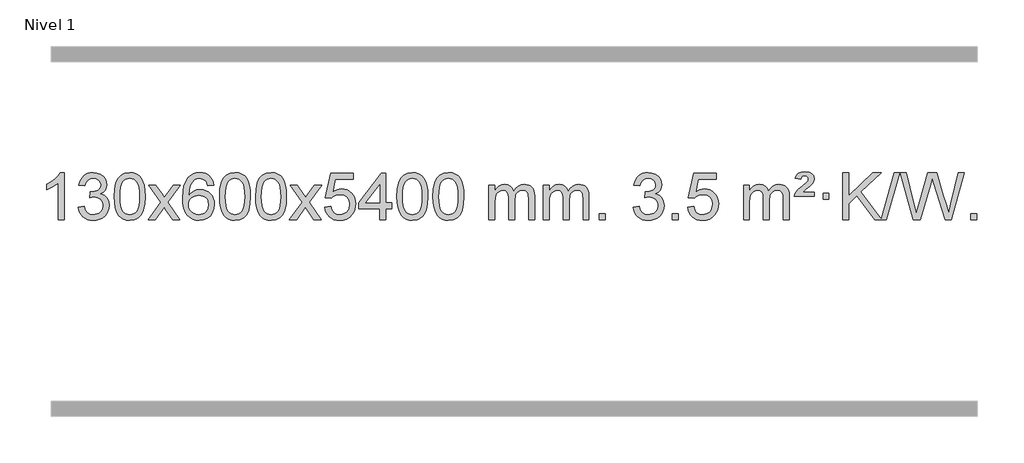
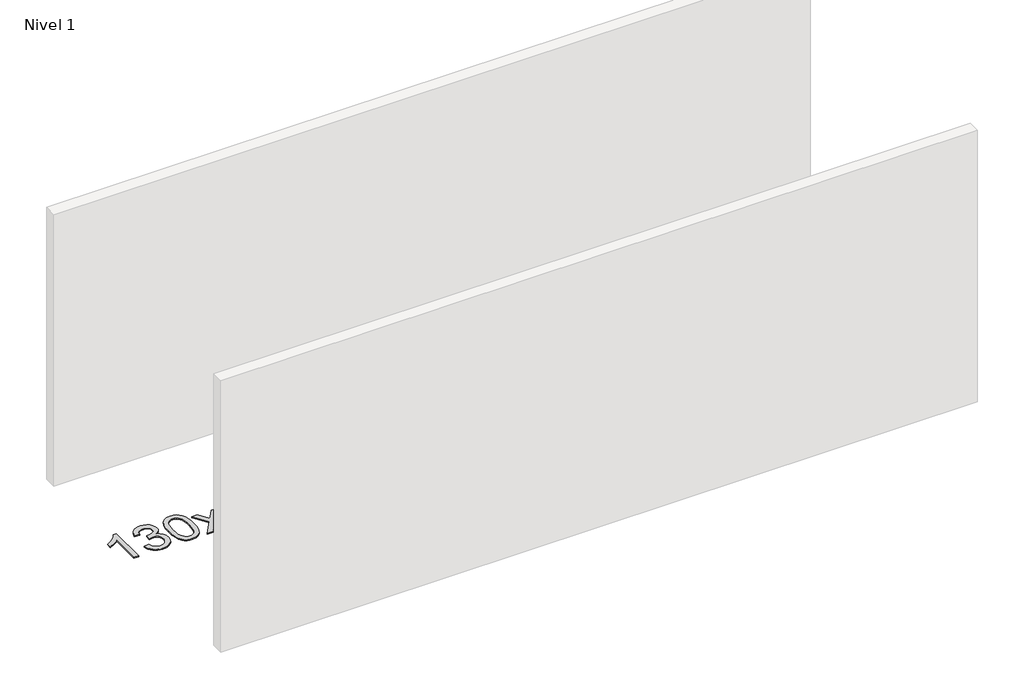
# One storey, part 10 of 21: 1 proxy.
"""IFC4 building model written with IfcOpenShell, lengths in millimetres."""

from ifc_helpers import new_model, si_unit, origin, origin_with_axes, place, context, project, spatial, polyline, outline, extrude, element, save

model = new_model("IFC4")

# Units and contexts
model_context = context("Model", 3, world=origin())
ifc_project = project(units=[si_unit("LENGTHUNIT", "METRE", prefix="MILLI")], contexts=[model_context])

# Site, building, storey
site = spatial("IfcSite", under=ifc_project)
building = spatial("IfcBuilding", under=site)
storey = spatial("IfcBuildingStorey", under=building, Name="Nivel 1", Elevation=0.0)

# Proxy
placement = place(None, origin())
element("IfcBuildingElementProxy", 1, Name="Texto de modelo 1", ObjectType="Texto de modelo 1", at=placement, inside=storey, context=model_context, shape_type="SweptSolid", body=[
    extrude(outline(polyline([(-121.6378538, -27645.579453), (-171.8660089, -27645.579453), (-171.8660089, -27332.4382987), (-192.8352826, -27349.3976587), (-219.4454136, -27366.3324932), (-272.3223191, -27391.6918254), (-272.3223191, -27344.2105225), (-232.8731065, -27322.7507395), (-198.6968691, -27297.219729), (-171.7556443, -27270.0700378), (-154.0114694, -27243.7542124), (-121.6378538, -27243.7542124), (-121.6378538, -27645.579453)])), origin_with_axes(), (0.0, 0.0, 1.0), 10.0),
    extrude(outline(polyline([(-2.3459855, -27538.8446235), (47.8821695, -27532.5661041), (59.1270958, -27564.1303793), (75.5959465, -27585.4430095), (98.0980619, -27597.5831154), (127.4427824, -27601.6298173), (161.8765371, -27596.0625364), (176.1503585, -27589.1034354), (188.4621426, -27579.3606939), (205.4582908, -27554.4428201), (211.1236735, -27524.2274455), (205.5073417, -27495.5449126), (188.6583463, -27472.2825078), (163.1518614, -27456.8682522), (131.5630607, -27451.730167), (96.344491, -27457.2238715), (101.9362974, -27406.9957164), (109.9806503, -27407.5843276), (140.0733975, -27403.979084), (166.9778341, -27393.1633534), (178.0510822, -27384.9841103), (185.9605451, -27374.8673555), (190.7062228, -27362.8130888), (192.2881154, -27348.8213102), (187.7018532, -27327.1285352), (173.9430665, -27309.5315131), (152.9492674, -27297.8696539), (126.6579674, -27293.9823675), (100.3176166, -27297.9064421), (78.7842571, -27309.6786659), (63.0634332, -27329.299039), (54.1606889, -27356.7675613), (3.9325338, -27350.4890419), (9.8860908, -27326.5092672), (18.72139, -27305.3867093), (30.4384316, -27287.1213683), (45.0372154, -27271.713244), (62.0578891, -27259.4811677), (81.0406, -27250.7439703), (101.9853483, -27245.5016519), (124.8921339, -27243.7542124), (156.4686718, -27247.2000404), (185.4700357, -27257.5375245), (209.9219257, -27273.8469596), (227.8500416, -27295.2086408), (238.8497132, -27319.8199463), (242.5162704, -27345.8782543), (239.0336542, -27370.1584659), (228.5858056, -27392.1823347), (211.3198773, -27410.9443165), (187.3830221, -27425.4388671), (218.82467, -27438.1430586), (242.123863, -27459.77452), (256.5448372, -27489.1560286), (261.3518286, -27525.1103623), (258.9483329, -27550.5923218), (251.7378458, -27574.0631931), (239.7203673, -27595.5229762), (222.8958974, -27614.971671), (202.3987389, -27631.1094278), (179.3631946, -27642.636397), (153.7892646, -27649.5525785), (125.6769488, -27651.8579724), (100.2685656, -27649.8898037), (77.1165254, -27643.9852977), (56.2208281, -27634.1444543), (37.5814737, -27620.3672736), (21.9526202, -27603.4630959), (10.0884259, -27584.2412617), (1.9888906, -27562.7017708), (-2.3459855, -27538.8446235)])), origin_with_axes(), (0.0, 0.0, 1.0), 10.0),
    extrude(outline(polyline([(305.3014643, -27447.9041943), (308.992547, -27383.5861588), (320.065795, -27332.2911459), (338.4108439, -27293.2343407), (350.2689068, -27278.0009605), (363.9173289, -27265.6309284), (379.4020952, -27256.0598651), (396.769191, -27249.2233914), (437.1503714, -27243.7542124), (468.1015099, -27246.991574), (495.8152869, -27256.7036586), (518.9918526, -27272.5103217), (536.3313573, -27294.0314184), (549.4279563, -27321.0830078), (559.8758049, -27353.4811488), (566.7184101, -27394.6226186), (568.9992784, -27447.9041943), (565.3449839, -27511.8543477), (554.3821005, -27563.0267333), (536.1474163, -27602.1203266), (524.3169444, -27617.3996922), (510.6777195, -27629.8341036), (495.174559, -27639.4695462), (477.7522809, -27646.3520052), (437.1503714, -27651.8579724), (409.4856453, -27649.4667394), (384.960179, -27642.2930405), (363.5739723, -27630.3368757), (345.3270254, -27613.5982449), (327.8158424, -27583.3399508), (315.3078546, -27545.6381776), (307.8030619, -27500.4929255), (305.3014643, -27447.9041943)]), holes=[polyline([(355.5296194, -27447.8060924), (357.0011473, -27491.4706195), (361.4157313, -27526.8148822), (368.7733712, -27553.8388804), (379.0740671, -27572.5426142), (391.533004, -27585.2682656), (405.365367, -27594.3580165), (420.5711561, -27599.8118671), (437.1503714, -27601.6298173), (453.7295866, -27599.8057357), (468.9353757, -27594.3334911), (482.7677388, -27585.2130833), (495.2266757, -27572.4445124), (505.5273715, -27553.7101217), (512.8850114, -27526.6922549), (517.2995954, -27491.3909118), (518.7711234, -27447.8060924), (517.3486463, -27405.2973278), (513.0812152, -27370.5753989), (505.9688299, -27343.6403055), (496.0114906, -27324.4920476), (483.7610201, -27311.1440625), (469.7692416, -27301.6097875), (454.0361549, -27295.8892225), (436.5617602, -27293.9823675), (420.068384, -27295.6623619), (405.1201123, -27300.7023452), (391.716945, -27309.1023175), (379.858882, -27320.8622786), (369.2148296, -27341.708925), (361.611935, -27369.8151094), (357.0501983, -27405.1808319), (355.5296194, -27447.8060924)])]), origin_with_axes(), (0.0, 0.0, 1.0), 10.0),
    extrude(outline(polyline([(594.113356, -27645.579453), (701.4367967, -27497.2494325), (600.3918754, -27350.4890419), (660.8226244, -27350.4890419), (709.5792515, -27421.122385), (732.3388843, -27454.4770192), (752.0573592, -27427.2047007), (807.583015, -27350.4890419), (868.0137641, -27350.4890419), (761.8675458, -27497.2494325), (864.0896895, -27645.579453), (803.6589404, -27645.579453), (742.1490708, -27556.4048574), (730.8673563, -27540.1199477), (654.544105, -27645.579453), (594.113356, -27645.579453)])), origin_with_axes(), (0.0, 0.0, 1.0), 10.0),
    extrude(outline(polyline([(1152.9015812, -27350.4890419), (1102.6734261, -27356.7675613), (1094.5800222, -27331.874213), (1083.6416642, -27314.8780648), (1060.857506, -27299.2062918), (1033.3154073, -27293.9823675), (1009.9671633, -27297.0235253), (987.9923455, -27306.1469988), (969.1199991, -27325.3627017), (953.7057435, -27351.8134171), (943.2946831, -27389.227016), (939.4319221, -27441.3313693), (959.5795927, -27417.8237098), (983.7249143, -27401.2567573), (1010.5189863, -27391.434308), (1038.612908, -27388.1601582), (1062.7459669, -27390.398107), (1085.0150903, -27397.1119534), (1105.4202783, -27408.3016975), (1123.9615309, -27423.9673391), (1139.3696551, -27443.1769106), (1150.3754581, -27464.9984443), (1156.97894, -27489.4319401), (1159.1801006, -27516.4773982), (1155.0352967, -27552.4439945), (1142.6008853, -27585.786366), (1122.9069358, -27614.0642287), (1096.9835179, -27634.8372987), (1066.0078539, -27647.602804), (1031.1571662, -27651.8579724), (1001.2146375, -27649.0375437), (974.1722452, -27640.5762579), (950.0299893, -27626.4741147), (928.7878697, -27606.7311143), (911.4698248, -27580.5133908), (899.0997927, -27546.9870783), (891.6777734, -27506.1521768), (889.203767, -27458.0086864), (891.9506193, -27404.0342663), (900.191176, -27357.9693092), (913.9254371, -27319.8138149), (933.1534027, -27289.5677835), (953.9939177, -27269.5243462), (978.1576335, -27255.2076052), (1005.6445499, -27246.6175606), (1036.454667, -27243.7542124), (1059.5883131, -27245.5261773), (1080.52693, -27250.8420722), (1099.2705176, -27259.7018969), (1115.8190761, -27272.1056515), (1129.7250155, -27287.6364031), (1140.5407461, -27305.8772186), (1148.266268, -27326.8280983), (1152.9015812, -27350.4890419)]), holes=[polyline([(939.4319221, -27515.6925832), (942.3381899, -27537.9494439), (951.0569932, -27559.2007605), (964.5950506, -27577.472233), (981.9590807, -27590.7895612), (1002.9160917, -27598.9197533), (1027.2330916, -27601.6298173), (1060.3792594, -27596.0134855), (1074.2943959, -27588.9930708), (1086.4375674, -27579.1644901), (1096.2876078, -27566.9262824), (1103.323351, -27552.6769865), (1108.9519455, -27518.1451299), (1103.3969274, -27484.9989621), (1096.4531547, -27471.3781312), (1086.731873, -27459.725469), (1074.5519133, -27450.3904634), (1060.2321066, -27443.7226022), (1025.1729524, -27438.3883133), (992.0758356, -27443.7226022), (964.3988468, -27459.725469), (953.4758173, -27471.2248471), (945.6736533, -27484.3858254), (940.9923549, -27499.2084042), (939.4319221, -27515.6925832)])]), origin_with_axes(), (0.0, 0.0, 1.0), 10.0),
    extrude(outline(polyline([(1203.1297362, -27447.9041943), (1206.8208189, -27383.5861588), (1217.894067, -27332.2911459), (1236.2391158, -27293.2343407), (1248.0971788, -27278.0009605), (1261.7456008, -27265.6309284), (1277.2303671, -27256.0598651), (1294.597463, -27249.2233914), (1334.9786433, -27243.7542124), (1365.9297818, -27246.991574), (1393.6435588, -27256.7036586), (1416.8201245, -27272.5103217), (1434.1596292, -27294.0314184), (1447.2562282, -27321.0830078), (1457.7040769, -27353.4811488), (1464.546682, -27394.6226186), (1466.8275504, -27447.9041943), (1463.1732559, -27511.8543477), (1452.2103725, -27563.0267333), (1433.9756882, -27602.1203266), (1422.1452164, -27617.3996922), (1408.5059914, -27629.8341036), (1393.002831, -27639.4695462), (1375.5805529, -27646.3520052), (1334.9786433, -27651.8579724), (1307.3139173, -27649.4667394), (1282.7884509, -27642.2930405), (1261.4022443, -27630.3368757), (1243.1552973, -27613.5982449), (1225.6441144, -27583.3399508), (1213.1361265, -27545.6381776), (1205.6313338, -27500.4929255), (1203.1297362, -27447.9041943)]), holes=[polyline([(1253.3578913, -27447.8060924), (1254.8294193, -27491.4706195), (1259.2440032, -27526.8148822), (1266.6016432, -27553.8388804), (1276.902339, -27572.5426142), (1289.3612759, -27585.2682656), (1303.1936389, -27594.3580165), (1318.3994281, -27599.8118671), (1334.9786433, -27601.6298173), (1351.5578586, -27599.8057357), (1366.7636477, -27594.3334911), (1380.5960107, -27585.2130833), (1393.0549476, -27572.4445124), (1403.3556435, -27553.7101217), (1410.7132834, -27526.6922549), (1415.1278673, -27491.3909118), (1416.5993953, -27447.8060924), (1415.1769183, -27405.2973278), (1410.9094871, -27370.5753989), (1403.7971019, -27343.6403055), (1393.8397625, -27324.4920476), (1381.5892921, -27311.1440625), (1367.5975136, -27301.6097875), (1351.8644269, -27295.8892225), (1334.3900321, -27293.9823675), (1317.896656, -27295.6623619), (1302.9483843, -27300.7023452), (1289.5452169, -27309.1023175), (1277.6871539, -27320.8622786), (1267.0431015, -27341.708925), (1259.440207, -27369.8151094), (1254.8784702, -27405.1808319), (1253.3578913, -27447.8060924)])]), origin_with_axes(), (0.0, 0.0, 1.0), 10.0),
    extrude(outline(polyline([(1510.7771861, -27447.9041943), (1514.4682688, -27383.5861588), (1525.5415168, -27332.2911459), (1543.8865656, -27293.2343407), (1555.7446286, -27278.0009605), (1569.3930506, -27265.6309284), (1584.877817, -27256.0598651), (1602.2449128, -27249.2233914), (1642.6260932, -27243.7542124), (1673.5772317, -27246.991574), (1701.2910087, -27256.7036586), (1724.4675743, -27272.5103217), (1741.8070791, -27294.0314184), (1754.9036781, -27321.0830078), (1765.3515267, -27353.4811488), (1772.1941319, -27394.6226186), (1774.4750002, -27447.9041943), (1770.8207057, -27511.8543477), (1759.8578223, -27563.0267333), (1741.6231381, -27602.1203266), (1729.7926662, -27617.3996922), (1716.1534413, -27629.8341036), (1700.6502808, -27639.4695462), (1683.2280027, -27646.3520052), (1642.6260932, -27651.8579724), (1614.9613671, -27649.4667394), (1590.4359008, -27642.2930405), (1569.0496941, -27630.3368757), (1550.8027472, -27613.5982449), (1533.2915642, -27583.3399508), (1520.7835764, -27545.6381776), (1513.2787836, -27500.4929255), (1510.7771861, -27447.9041943)]), holes=[polyline([(1561.0053412, -27447.8060924), (1562.4768691, -27491.4706195), (1566.8914531, -27526.8148822), (1574.249093, -27553.8388804), (1584.5497888, -27572.5426142), (1597.0087258, -27585.2682656), (1610.8410888, -27594.3580165), (1626.0468779, -27599.8118671), (1642.6260932, -27601.6298173), (1659.2053084, -27599.8057357), (1674.4110975, -27594.3334911), (1688.2434606, -27585.2130833), (1700.7023975, -27572.4445124), (1711.0030933, -27553.7101217), (1718.3607332, -27526.6922549), (1722.7753172, -27491.3909118), (1724.2468452, -27447.8060924), (1722.8243681, -27405.2973278), (1718.556937, -27370.5753989), (1711.4445517, -27343.6403055), (1701.4872124, -27324.4920476), (1689.2367419, -27311.1440625), (1675.2449634, -27301.6097875), (1659.5118767, -27295.8892225), (1642.037482, -27293.9823675), (1625.5441058, -27295.6623619), (1610.5958341, -27300.7023452), (1597.1926667, -27309.1023175), (1585.3346038, -27320.8622786), (1574.6905514, -27341.708925), (1567.0876568, -27369.8151094), (1562.5259201, -27405.1808319), (1561.0053412, -27447.8060924)])]), origin_with_axes(), (0.0, 0.0, 1.0), 10.0),
    extrude(outline(polyline([(1799.5890778, -27645.579453), (1906.9125185, -27497.2494325), (1805.8675971, -27350.4890419), (1866.2983462, -27350.4890419), (1915.0549733, -27421.122385), (1937.8146061, -27454.4770192), (1957.533081, -27427.2047007), (2013.0587368, -27350.4890419), (2073.4894859, -27350.4890419), (1967.3432676, -27497.2494325), (2069.5654113, -27645.579453), (2009.1346622, -27645.579453), (1947.6247926, -27556.4048574), (1936.3430781, -27540.1199477), (1860.0198268, -27645.579453), (1799.5890778, -27645.579453)])), origin_with_axes(), (0.0, 0.0, 1.0), 10.0),
    extrude(outline(polyline([(2100.9580082, -27538.8446235), (2151.1861633, -27532.5661041), (2160.4077386, -27562.7201649), (2176.4964446, -27584.3148381), (2199.3787047, -27597.3010725), (2228.9809425, -27601.6298173), (2248.1108063, -27600.1245668), (2264.9843271, -27595.6088153), (2279.6015051, -27588.0825628), (2291.9623401, -27577.5458094), (2301.7909207, -27564.519721), (2308.8113355, -27549.5254641), (2314.4276673, -27513.6324441), (2309.1669547, -27479.8363514), (2302.5910641, -27465.9181493), (2293.3848172, -27453.9865099), (2281.5175571, -27444.4154467), (2266.9586272, -27437.5789729), (2229.7657575, -27432.1097939), (2205.3997066, -27434.2925604), (2185.668969, -27440.8408599), (2169.9113568, -27450.8717757), (2157.4646827, -27463.5023908), (2107.2365276, -27457.2238715), (2151.1861633, -27250.0327318), (2345.8202642, -27250.0327318), (2345.8202642, -27300.2608869), (2191.8003356, -27300.2608869), (2170.316027, -27410.919791), (2188.0418078, -27398.2155994), (2206.1967843, -27389.1411769), (2224.7809564, -27383.6965234), (2243.7943242, -27381.8816388), (2268.2554112, -27384.1318504), (2290.7238041, -27390.882485), (2311.1995028, -27402.1335427), (2329.6825073, -27417.8850234), (2344.9833327, -27437.1743027), (2355.9124936, -27459.038756), (2362.4699902, -27483.4783832), (2364.6558224, -27510.4931844), (2362.6876537, -27536.5147042), (2356.7831477, -27560.7213394), (2346.9423043, -27583.1130902), (2333.1651236, -27603.6899565), (2312.2939517, -27624.7634634), (2287.9401636, -27639.8159684), (2260.1037593, -27648.8474714), (2228.7847388, -27651.8579724), (2202.8643866, -27649.9235262), (2179.4517632, -27644.1201877), (2158.5468689, -27634.447957), (2140.1497034, -27620.9068338), (2124.8427467, -27604.1712688), (2113.2084787, -27584.915712), (2105.2468991, -27563.1401636), (2100.9580082, -27538.8446235)])), origin_with_axes(), (0.0, 0.0, 1.0), 10.0),
    extrude(outline(polyline([(2571.846962, -27645.579453), (2571.846962, -27551.4016622), (2389.7698999, -27551.4016622), (2389.7698999, -27501.1735072), (2584.4040008, -27250.0327318), (2622.0751171, -27250.0327318), (2622.0751171, -27501.1735072), (2672.3032722, -27501.1735072), (2672.3032722, -27551.4016622), (2622.0751171, -27551.4016622), (2622.0751171, -27645.579453), (2571.846962, -27645.579453)]), holes=[polyline([(2571.846962, -27501.1735072), (2571.846962, -27345.9763561), (2451.5740751, -27501.1735072), (2571.846962, -27501.1735072)])]), origin_with_axes(), (0.0, 0.0, 1.0), 10.0),
    extrude(outline(polyline([(2716.2529079, -27447.9041943), (2719.9439906, -27383.5861588), (2731.0172386, -27332.2911459), (2749.3622874, -27293.2343407), (2761.2203504, -27278.0009605), (2774.8687724, -27265.6309284), (2790.3535388, -27256.0598651), (2807.7206346, -27249.2233914), (2848.1018149, -27243.7542124), (2879.0529535, -27246.991574), (2906.7667304, -27256.7036586), (2929.9432961, -27272.5103217), (2947.2828008, -27294.0314184), (2960.3793999, -27321.0830078), (2970.8272485, -27353.4811488), (2977.6698537, -27394.6226186), (2979.950722, -27447.9041943), (2976.2964275, -27511.8543477), (2965.3335441, -27563.0267333), (2947.0988599, -27602.1203266), (2935.268388, -27617.3996922), (2921.6291631, -27629.8341036), (2906.1260026, -27639.4695462), (2888.7037245, -27646.3520052), (2848.1018149, -27651.8579724), (2820.4370889, -27649.4667394), (2795.9116226, -27642.2930405), (2774.5254159, -27630.3368757), (2756.278469, -27613.5982449), (2738.767286, -27583.3399508), (2726.2592981, -27545.6381776), (2718.7545054, -27500.4929255), (2716.2529079, -27447.9041943)]), holes=[polyline([(2766.481063, -27447.8060924), (2767.9525909, -27491.4706195), (2772.3671749, -27526.8148822), (2779.7248148, -27553.8388804), (2790.0255106, -27572.5426142), (2802.4844475, -27585.2682656), (2816.3168106, -27594.3580165), (2831.5225997, -27599.8118671), (2848.1018149, -27601.6298173), (2864.6810302, -27599.8057357), (2879.8868193, -27594.3334911), (2893.7191824, -27585.2130833), (2906.1781193, -27572.4445124), (2916.4788151, -27553.7101217), (2923.836455, -27526.6922549), (2928.251039, -27491.3909118), (2929.7225669, -27447.8060924), (2928.3000899, -27405.2973278), (2924.0326588, -27370.5753989), (2916.9202735, -27343.6403055), (2906.9629342, -27324.4920476), (2894.7124637, -27311.1440625), (2880.7206852, -27301.6097875), (2864.9875985, -27295.8892225), (2847.5132038, -27293.9823675), (2831.0198276, -27295.6623619), (2816.0715559, -27300.7023452), (2802.6683885, -27309.1023175), (2790.8103256, -27320.8622786), (2780.1662732, -27341.708925), (2772.5633786, -27369.8151094), (2768.0016419, -27405.1808319), (2766.481063, -27447.8060924)])]), origin_with_axes(), (0.0, 0.0, 1.0), 10.0),
    extrude(outline(polyline([(3023.9003577, -27447.9041943), (3027.5914404, -27383.5861588), (3038.6646885, -27332.2911459), (3057.0097373, -27293.2343407), (3068.8678003, -27278.0009605), (3082.5162223, -27265.6309284), (3098.0009886, -27256.0598651), (3115.3680844, -27249.2233914), (3155.7492648, -27243.7542124), (3186.7004033, -27246.991574), (3214.4141803, -27256.7036586), (3237.590746, -27272.5103217), (3254.9302507, -27294.0314184), (3268.0268497, -27321.0830078), (3278.4746984, -27353.4811488), (3285.3173035, -27394.6226186), (3287.5981719, -27447.9041943), (3283.9438774, -27511.8543477), (3272.9809939, -27563.0267333), (3254.7463097, -27602.1203266), (3242.9158379, -27617.3996922), (3229.2766129, -27629.8341036), (3213.7734525, -27639.4695462), (3196.3511743, -27646.3520052), (3155.7492648, -27651.8579724), (3128.0845387, -27649.4667394), (3103.5590724, -27642.2930405), (3082.1728657, -27630.3368757), (3063.9259188, -27613.5982449), (3046.4147358, -27583.3399508), (3033.906748, -27545.6381776), (3026.4019553, -27500.4929255), (3023.9003577, -27447.9041943)]), holes=[polyline([(3074.1285128, -27447.8060924), (3075.6000408, -27491.4706195), (3080.0146247, -27526.8148822), (3087.3722646, -27553.8388804), (3097.6729605, -27572.5426142), (3110.1318974, -27585.2682656), (3123.9642604, -27594.3580165), (3139.1700495, -27599.8118671), (3155.7492648, -27601.6298173), (3172.32848, -27599.8057357), (3187.5342692, -27594.3334911), (3201.3666322, -27585.2130833), (3213.8255691, -27572.4445124), (3224.126265, -27553.7101217), (3231.4839049, -27526.6922549), (3235.8984888, -27491.3909118), (3237.3700168, -27447.8060924), (3235.9475397, -27405.2973278), (3231.6801086, -27370.5753989), (3224.5677233, -27343.6403055), (3214.610384, -27324.4920476), (3202.3599136, -27311.1440625), (3188.368135, -27301.6097875), (3172.6350484, -27295.8892225), (3155.1606536, -27293.9823675), (3138.6672775, -27295.6623619), (3123.7190057, -27300.7023452), (3110.3158384, -27309.1023175), (3098.4577754, -27320.8622786), (3087.813723, -27341.708925), (3080.2108284, -27369.8151094), (3075.6490917, -27405.1808319), (3074.1285128, -27447.8060924)])]), origin_with_axes(), (0.0, 0.0, 1.0), 10.0),
    extrude(outline(polyline([(3501.0678309, -27645.579453), (3501.0678309, -27350.4890419), (3551.295986, -27350.4890419), (3551.295986, -27399.0494653), (3566.4036733, -27376.7435537), (3585.8278426, -27359.2691589), (3608.9063064, -27347.9751816), (3634.9768772, -27344.2105225), (3662.9113833, -27348.048758), (3685.3031341, -27359.5634645), (3702.0295022, -27377.9943524), (3712.9678601, -27402.5811324), (3731.2761208, -27377.0439906), (3752.1595554, -27358.803175), (3775.6181639, -27347.8586857), (3801.6519464, -27344.2105225), (3821.7597632, -27345.7280358), (3839.4089019, -27350.2805755), (3854.5993626, -27357.8681416), (3867.3311453, -27368.4907342), (3877.3957836, -27382.2709806), (3884.5848109, -27399.3315082), (3888.8982273, -27419.6723168), (3890.3360328, -27443.2934066), (3890.3360328, -27645.579453), (3840.1078777, -27645.579453), (3840.1078777, -27464.875817), (3838.942918, -27439.8230531), (3835.4480391, -27422.9372695), (3828.8997396, -27411.3735121), (3818.5745182, -27402.2868268), (3805.2939782, -27396.4007149), (3789.8797226, -27394.4386776), (3762.6687177, -27399.4663982), (3740.4854334, -27414.54956), (3731.8800604, -27426.1194488), (3725.7333654, -27440.7182326), (3720.8160094, -27479.0024856), (3720.8160094, -27645.579453), (3670.5878543, -27645.579453), (3670.5878543, -27459.2840106), (3667.6815865, -27430.8835206), (3658.9627833, -27410.6254854), (3643.6221041, -27398.4853796), (3620.8502086, -27394.4386776), (3601.4996156, -27397.1364789), (3583.6696016, -27405.2298828), (3568.9543218, -27418.5226856), (3558.9479315, -27436.8186835), (3553.2089724, -27462.2025411), (3551.295986, -27496.7589232), (3551.295986, -27645.579453), (3501.0678309, -27645.579453)])), origin_with_axes(), (0.0, 0.0, 1.0), 10.0),
    extrude(outline(polyline([(3965.6782654, -27645.579453), (3965.6782654, -27350.4890419), (4015.9064204, -27350.4890419), (4015.9064204, -27399.0494653), (4031.0141077, -27376.7435537), (4050.4382771, -27359.2691589), (4073.5167409, -27347.9751816), (4099.5873116, -27344.2105225), (4127.5218178, -27348.048758), (4149.9135685, -27359.5634645), (4166.6399366, -27377.9943524), (4177.5782946, -27402.5811324), (4195.8865552, -27377.0439906), (4216.7699898, -27358.803175), (4240.2285984, -27347.8586857), (4266.2623809, -27344.2105225), (4286.3701976, -27345.7280358), (4304.0193363, -27350.2805755), (4319.209797, -27357.8681416), (4331.9415798, -27368.4907342), (4342.006218, -27382.2709806), (4349.1952453, -27399.3315082), (4353.5086617, -27419.6723168), (4354.9464672, -27443.2934066), (4354.9464672, -27645.579453), (4304.7183121, -27645.579453), (4304.7183121, -27464.875817), (4303.5533525, -27439.8230531), (4300.0584735, -27422.9372695), (4293.510174, -27411.3735121), (4283.1849527, -27402.2868268), (4269.9044126, -27396.4007149), (4254.490157, -27394.4386776), (4227.2791521, -27399.4663982), (4205.0958678, -27414.54956), (4196.4904948, -27426.1194488), (4190.3437998, -27440.7182326), (4185.4264438, -27479.0024856), (4185.4264438, -27645.579453), (4135.1982887, -27645.579453), (4135.1982887, -27459.2840106), (4132.292021, -27430.8835206), (4123.5732177, -27410.6254854), (4108.2325385, -27398.4853796), (4085.460643, -27394.4386776), (4066.11005, -27397.1364789), (4048.280036, -27405.2298828), (4033.5647562, -27418.5226856), (4023.5583659, -27436.8186835), (4017.8194068, -27462.2025411), (4015.9064204, -27496.7589232), (4015.9064204, -27645.579453), (3965.6782654, -27645.579453)])), origin_with_axes(), (0.0, 0.0, 1.0), 10.0),
    extrude(outline(polyline([(4442.8457386, -27645.579453), (4442.8457386, -27595.3512979), (4493.0738936, -27595.3512979), (4493.0738936, -27645.579453), (4442.8457386, -27645.579453)])), origin_with_axes(), (0.0, 0.0, 1.0), 10.0),
    extrude(outline(polyline([(4731.6576303, -27538.8446235), (4781.8857853, -27532.5661041), (4793.1307116, -27564.1303793), (4809.5995623, -27585.4430095), (4832.1016777, -27597.5831154), (4861.4463982, -27601.6298173), (4895.8801529, -27596.0625364), (4910.1539743, -27589.1034354), (4922.4657584, -27579.3606939), (4939.4619066, -27554.4428201), (4945.1272893, -27524.2274455), (4939.5109575, -27495.5449126), (4922.6619621, -27472.2825078), (4897.1554772, -27456.8682522), (4865.5666765, -27451.730167), (4830.3481068, -27457.2238715), (4835.9399132, -27406.9957164), (4843.9842661, -27407.5843276), (4874.0770133, -27403.979084), (4900.9814499, -27393.1633534), (4912.054698, -27384.9841103), (4919.9641609, -27374.8673555), (4924.7098386, -27362.8130888), (4926.2917312, -27348.8213102), (4921.705469, -27327.1285352), (4907.9466823, -27309.5315131), (4886.9528832, -27297.8696539), (4860.6615832, -27293.9823675), (4834.3212324, -27297.9064421), (4812.7878729, -27309.6786659), (4797.067049, -27329.299039), (4788.1643047, -27356.7675613), (4737.9361496, -27350.4890419), (4743.8897066, -27326.5092672), (4752.7250058, -27305.3867093), (4764.4420474, -27287.1213683), (4779.0408312, -27271.713244), (4796.0615049, -27259.4811677), (4815.0442158, -27250.7439703), (4835.9889641, -27245.5016519), (4858.8957497, -27243.7542124), (4890.4722876, -27247.2000404), (4919.4736515, -27257.5375245), (4943.9255415, -27273.8469596), (4961.8536574, -27295.2086408), (4972.853329, -27319.8199463), (4976.5198862, -27345.8782543), (4973.03727, -27370.1584659), (4962.5894214, -27392.1823347), (4945.3234931, -27410.9443165), (4921.3866379, -27425.4388671), (4952.8282858, -27438.1430586), (4976.1274788, -27459.77452), (4990.548453, -27489.1560286), (4995.3554444, -27525.1103623), (4992.9519487, -27550.5923218), (4985.7414616, -27574.0631931), (4973.7239831, -27595.5229762), (4956.8995132, -27614.971671), (4936.4023547, -27631.1094278), (4913.3668104, -27642.636397), (4887.7928804, -27649.5525785), (4859.6805646, -27651.8579724), (4834.2721814, -27649.8898037), (4811.1201412, -27643.9852977), (4790.2244439, -27634.1444543), (4771.5850895, -27620.3672736), (4755.956236, -27603.4630959), (4744.0920417, -27584.2412617), (4735.9925064, -27562.7017708), (4731.6576303, -27538.8446235)])), origin_with_axes(), (0.0, 0.0, 1.0), 10.0),
    extrude(outline(polyline([(5064.4191576, -27645.579453), (5064.4191576, -27595.3512979), (5114.6473127, -27595.3512979), (5114.6473127, -27645.579453), (5064.4191576, -27645.579453)])), origin_with_axes(), (0.0, 0.0, 1.0), 10.0),
    extrude(outline(polyline([(5196.2680647, -27538.8446235), (5246.4962198, -27532.5661041), (5255.7177951, -27562.7201649), (5271.806501, -27584.3148381), (5294.6887611, -27597.3010725), (5324.290999, -27601.6298173), (5343.4208628, -27600.1245668), (5360.2943836, -27595.6088153), (5374.9115616, -27588.0825628), (5387.2723966, -27577.5458094), (5397.1009772, -27564.519721), (5404.121392, -27549.5254641), (5409.7377238, -27513.6324441), (5404.4770112, -27479.8363514), (5397.9011206, -27465.9181493), (5388.6948736, -27453.9865099), (5376.8276136, -27444.4154467), (5362.2686837, -27437.5789729), (5325.0758139, -27432.1097939), (5300.7097631, -27434.2925604), (5280.9790255, -27440.8408599), (5265.2214133, -27450.8717757), (5252.7747392, -27463.5023908), (5202.5465841, -27457.2238715), (5246.4962198, -27250.0327318), (5441.1303207, -27250.0327318), (5441.1303207, -27300.2608869), (5287.110392, -27300.2608869), (5265.6260835, -27410.919791), (5283.3518643, -27398.2155994), (5301.5068408, -27389.1411769), (5320.0910129, -27383.6965234), (5339.1043807, -27381.8816388), (5363.5654677, -27384.1318504), (5386.0338605, -27390.882485), (5406.5095593, -27402.1335427), (5424.9925638, -27417.8850234), (5440.2933891, -27437.1743027), (5451.2225501, -27459.038756), (5457.7800467, -27483.4783832), (5459.9658788, -27510.4931844), (5457.9977102, -27536.5147042), (5452.0932041, -27560.7213394), (5442.2523608, -27583.1130902), (5428.4751801, -27603.6899565), (5407.6040082, -27624.7634634), (5383.2502201, -27639.8159684), (5355.4138158, -27648.8474714), (5324.0947953, -27651.8579724), (5298.174443, -27649.9235262), (5274.7618197, -27644.1201877), (5253.8569254, -27634.447957), (5235.4597599, -27620.9068338), (5220.1528032, -27604.1712688), (5208.5185351, -27584.915712), (5200.5569556, -27563.1401636), (5196.2680647, -27538.8446235)])), origin_with_axes(), (0.0, 0.0, 1.0), 10.0),
    extrude(outline(polyline([(5673.4355379, -27645.579453), (5673.4355379, -27350.4890419), (5723.663693, -27350.4890419), (5723.663693, -27399.0494653), (5738.7713802, -27376.7435537), (5758.1955496, -27359.2691589), (5781.2740134, -27347.9751816), (5807.3445842, -27344.2105225), (5835.2790903, -27348.048758), (5857.6708411, -27359.5634645), (5874.3972091, -27377.9943524), (5885.3355671, -27402.5811324), (5903.6438278, -27377.0439906), (5924.5272623, -27358.803175), (5947.9858709, -27347.8586857), (5974.0196534, -27344.2105225), (5994.1274702, -27345.7280358), (6011.7766089, -27350.2805755), (6026.9670696, -27357.8681416), (6039.6988523, -27368.4907342), (6049.7634906, -27382.2709806), (6056.9525179, -27399.3315082), (6061.2659343, -27419.6723168), (6062.7037397, -27443.2934066), (6062.7037397, -27645.579453), (6012.4755847, -27645.579453), (6012.4755847, -27464.875817), (6011.310625, -27439.8230531), (6007.8157461, -27422.9372695), (6001.2674465, -27411.3735121), (5990.9422252, -27402.2868268), (5977.6616852, -27396.4007149), (5962.2474296, -27394.4386776), (5935.0364247, -27399.4663982), (5912.8531404, -27414.54956), (5904.2477674, -27426.1194488), (5898.1010724, -27440.7182326), (5893.1837164, -27479.0024856), (5893.1837164, -27645.579453), (5842.9555613, -27645.579453), (5842.9555613, -27459.2840106), (5840.0492935, -27430.8835206), (5831.3304902, -27410.6254854), (5815.989811, -27398.4853796), (5793.2179155, -27394.4386776), (5773.8673226, -27397.1364789), (5756.0373086, -27405.2298828), (5741.3220287, -27418.5226856), (5731.3156385, -27436.8186835), (5725.5766794, -27462.2025411), (5723.663693, -27496.7589232), (5723.663693, -27645.579453), (5673.4355379, -27645.579453)])), origin_with_axes(), (0.0, 0.0, 1.0), 10.0),
    extrude(outline(polyline([(6106.6533754, -27444.6668327), (6110.4793482, -27428.8479069), (6118.8180067, -27412.9799302), (6140.3268407, -27387.8413272), (6172.2835234, -27360.1030247), (6216.4293628, -27322.726214), (6223.5662735, -27311.1992448), (6225.9452437, -27299.3779701), (6224.0567828, -27287.2869152), (6218.3914001, -27277.5012541), (6209.022672, -27271.026531), (6196.0241748, -27268.8682899), (6183.5897634, -27270.4869707), (6174.73607, -27275.343013), (6168.3103978, -27284.8098431), (6163.1600499, -27300.2608869), (6112.9318948, -27293.9823675), (6123.7721509, -27268.7701881), (6140.4004171, -27251.2099542), (6164.165594, -27240.9092583), (6196.4165822, -27237.475693), (6232.1992376, -27241.6082341), (6256.9454332, -27254.0058573), (6271.3664074, -27272.3386434), (6276.1733988, -27294.2766731), (6272.0776459, -27317.1834586), (6259.7903873, -27338.8149199), (6239.262572, -27358.6314968), (6202.7932035, -27386.6886303), (6177.1886166, -27413.2742358), (6276.1733988, -27413.2742358), (6276.1733988, -27444.6668327), (6106.6533754, -27444.6668327)])), origin_with_axes(), (0.0, 0.0, 1.0), 10.0),
    extrude(outline(polyline([(6351.5156314, -27469.7809102), (6351.5156314, -27419.5527552), (6401.7437865, -27419.5527552), (6401.7437865, -27469.7809102), (6351.5156314, -27469.7809102)])), origin_with_axes(), (0.0, 0.0, 1.0), 10.0),
    extrude(outline(polyline([(6792.3854144, -27645.579453), (6638.954097, -27442.9009991), (6571.2638099, -27507.4520265), (6571.2638099, -27645.579453), (6521.0356548, -27645.579453), (6521.0356548, -27243.7542124), (6571.2638099, -27243.7542124), (6571.2638099, -27440.4484525), (6777.2777272, -27243.7542124), (6847.5186628, -27243.7542124), (6674.5650741, -27408.9577537), (6849.218684, -27639.5349332), (6960.5320117, -27243.7542124), (7005.8550735, -27243.7542124), (6892.8417246, -27645.579453), (6853.7971822, -27645.579453), (6847.5186628, -27645.579453), (6792.3854144, -27645.579453)])), origin_with_axes(), (0.0, 0.0, 1.0), 10.0),
    extrude(outline(polyline([(7120.3399504, -27645.579453), (7010.7601668, -27243.7542124), (7062.5579517, -27243.7542124), (7126.1279605, -27507.844434), (7145.7483335, -27589.3670841), (7166.7421327, -27517.2622131), (7246.4008474, -27243.7542124), (7321.056367, -27243.7542124), (7378.9364675, -27442.0180823), (7403.731714, -27515.5944814), (7422.0031864, -27589.3670841), (7441.0349483, -27510.1988788), (7505.1935683, -27243.7542124), (7556.9913532, -27243.7542124), (7447.3134677, -27645.579453), (7393.6517474, -27645.579453), (7297.3157155, -27335.5775584), (7283.87576, -27292.3146358), (7268.7680727, -27344.4067263), (7180.9669032, -27645.579453), (7120.3399504, -27645.579453)])), origin_with_axes(), (0.0, 0.0, 1.0), 10.0),
    extrude(outline(polyline([(7613.4980277, -27645.579453), (7613.4980277, -27595.3512979), (7663.7261827, -27595.3512979), (7663.7261827, -27645.579453), (7613.4980277, -27645.579453)])), origin_with_axes(), (0.0, 0.0, 1.0), 10.0),
])

save(model, "model.ifc")
